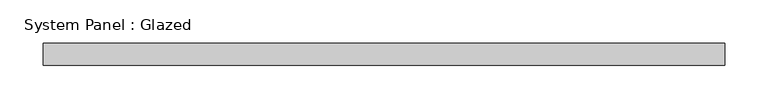
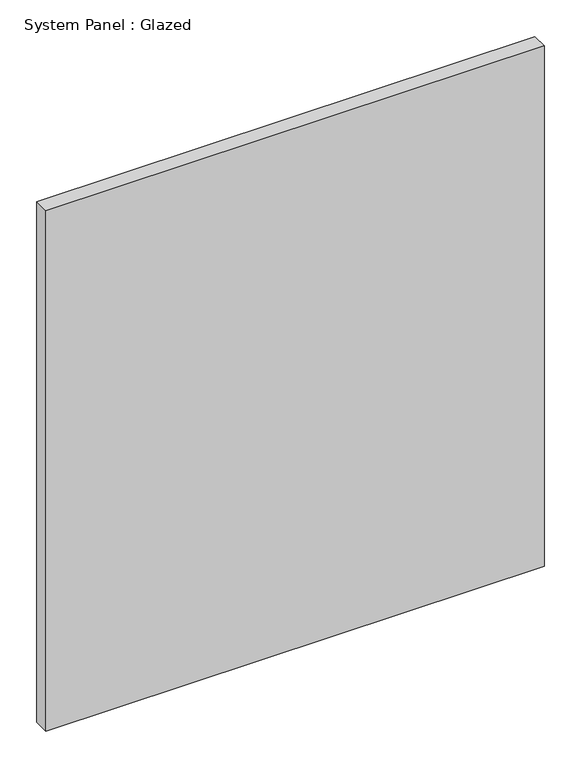
"""IFC4 building model written with IfcOpenShell, lengths in millimetres: plate geometry, System Panel : Glazed."""

from ifc_helpers import new_model, si_unit, origin, origin_with_axes, place, context, project, spatial, polyline, outline, extrude, source, transform, mapped, element, save


def system_panel_glazed_e04cda9f(model_context):
    return source(origin(), model_context, "Body", "SweptSolid", [
        extrude(outline(polyline([(393.7, 19.05), (-393.7, 19.05), (-393.7, 44.45), (393.7, 44.45), (393.7, 19.05)])), origin_with_axes(), (0.0, 0.0, 1.0), 869.95),
    ])


if __name__ == "__main__":
    model = new_model("IFC4")
    model_context = context("Model", 3, world=origin())
    ifc_project = project(units=[si_unit("LENGTHUNIT", "METRE", prefix="MILLI")], contexts=[model_context])
    site = spatial("IfcSite", under=ifc_project)
    building = spatial("IfcBuilding", under=site)
    placement = place(None, origin())
    system_panel_glazed_shape = system_panel_glazed_e04cda9f(model_context)
    element("IfcPlate", 1, ObjectType="System Panel : Glazed", at=placement, inside=building, context=model_context, shape_type="MappedRepresentation", body=[
        mapped(system_panel_glazed_shape, transform((0.0, 0.0, 0.0), x_axis=(1.0, 0.0, 0.0), y_axis=(0.0, 1.0, 0.0), z_axis=(0.0, 0.0, 1.0))),
    ])
    save(model, "model.ifc")
